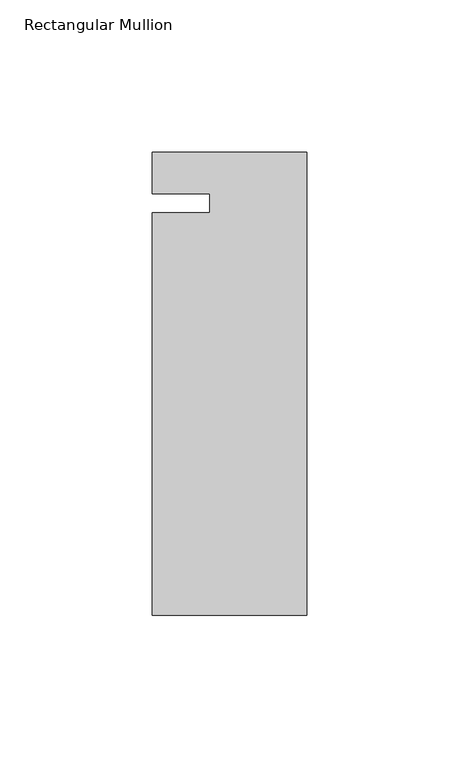
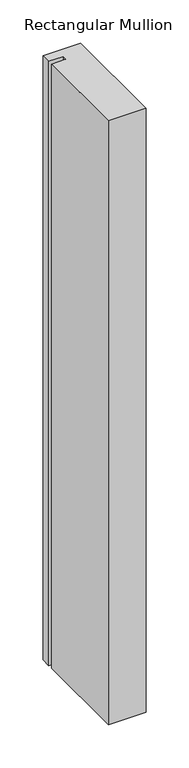
"""IFC4 building model written with IfcOpenShell, lengths in millimetres: member geometry, Rectangular Mullion."""

from ifc_helpers import new_model, si_unit, frame, origin, place, context, project, spatial, polyline, outline, extrude, source, transform, mapped, element, save


def rectangular_mullion_74cd0fe9(model_context):
    return source(origin(), model_context, "Body", "SweptSolid", [
        extrude(outline(polyline([(0.0, 13.672693), (0.0, -138.727307), (-50.8, -138.727307), (-50.8, -6.35), (-31.75, -6.35), (-31.75, 0.0), (-50.8, 0.0), (-50.8, 13.672693), (0.0, 13.672693)])), frame((0.0, 0.0, -857.25), z_axis=(0.0, 0.0, 1.0), x_axis=(1.0, 0.0, 0.0)), (0.0, 0.0, 1.0), 857.25),
    ])


if __name__ == "__main__":
    model = new_model("IFC4")
    model_context = context("Model", 3, world=origin())
    ifc_project = project(units=[si_unit("LENGTHUNIT", "METRE", prefix="MILLI")], contexts=[model_context])
    site = spatial("IfcSite", under=ifc_project)
    building = spatial("IfcBuilding", under=site)
    placement = place(None, origin())
    rectangular_mullion_shape = rectangular_mullion_74cd0fe9(model_context)
    element("IfcMember", 1, ObjectType="Rectangular Mullion", at=placement, inside=building, context=model_context, shape_type="MappedRepresentation", body=[
        mapped(rectangular_mullion_shape, transform((0.0, 0.0, 0.0), x_axis=(1.0, 0.0, 0.0), y_axis=(0.0, 1.0, 0.0), z_axis=(0.0, 0.0, 1.0))),
    ])
    save(model, "model.ifc")
